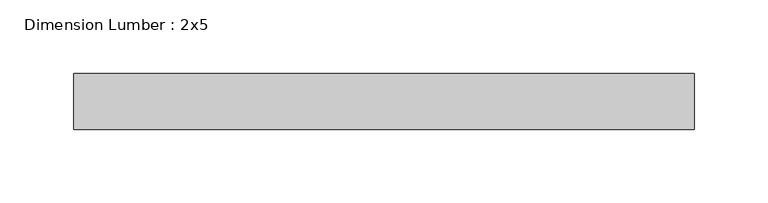
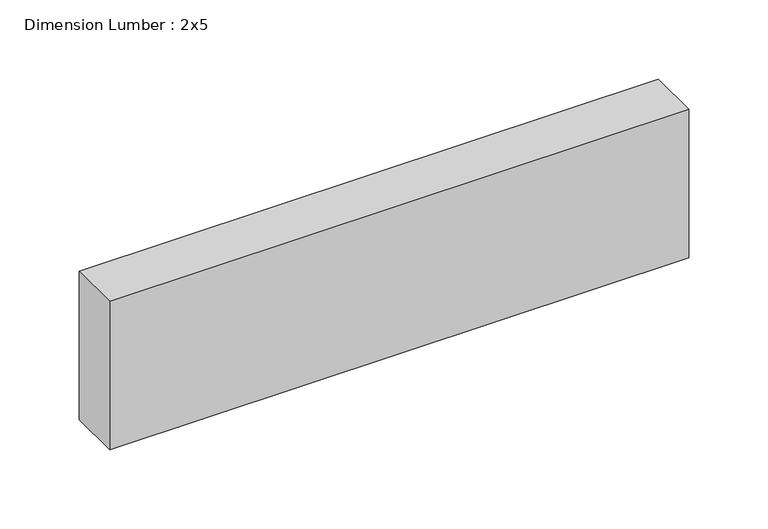
"""IFC4 building model written with IfcOpenShell, lengths in millimetres: beam geometry, Dimension Lumber : 2x5."""

from ifc_helpers import new_model, si_unit, frame, origin, place, context, project, spatial, polyline, outline, extrude, source, transform, mapped, element, save


def dimension_lumber_2x5_5dbe483b(model_context):
    return source(origin(), model_context, "Body", "SweptSolid", [
        extrude(outline(polyline([(208.8236724, 19.05), (208.8236724, -19.05), (-212.918167, -19.05), (-212.918167, 19.05), (208.8236724, 19.05)])), frame((0.0, 0.0, -57.15), z_axis=(0.0, 0.0, 1.0), x_axis=(1.0, 0.0, 0.0)), (0.0, 0.0, 1.0), 114.3),
    ])


if __name__ == "__main__":
    model = new_model("IFC4")
    model_context = context("Model", 3, world=origin())
    ifc_project = project(units=[si_unit("LENGTHUNIT", "METRE", prefix="MILLI")], contexts=[model_context])
    site = spatial("IfcSite", under=ifc_project)
    building = spatial("IfcBuilding", under=site)
    placement = place(None, origin())
    dimension_lumber_2x5_shape = dimension_lumber_2x5_5dbe483b(model_context)
    element("IfcBeam", 1, ObjectType="Dimension Lumber : 2x5", at=placement, inside=building, context=model_context, shape_type="MappedRepresentation", body=[
        mapped(dimension_lumber_2x5_shape, transform((0.0, 0.0, 0.0), x_axis=(1.0, 0.0, 0.0), y_axis=(0.0, 1.0, 0.0), z_axis=(0.0, 0.0, 1.0))),
    ])
    save(model, "model.ifc")
